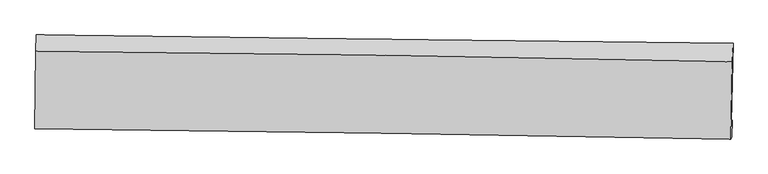
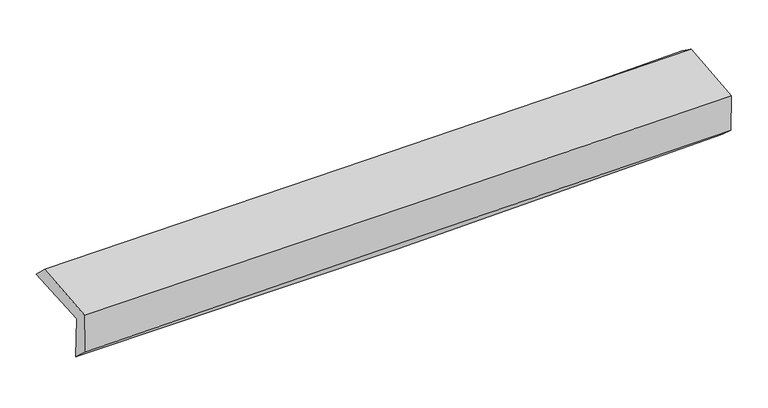
"""IFC4 building model written with IfcOpenShell, lengths in millimetres: proxy geometry."""

from ifc_helpers import new_model, si_unit, frame, origin, place, context, project, spatial, source, transform, mapped, element, save
from ifc_brep_helpers import plane_surface, spline_curve, spline_surface, advanced_brep


def generic_models_cd75ae80(model_context):
    return source(origin(), model_context, "Body", "AdvancedBrep", [
        advanced_brep(
        [(-3005.9804438, -1770.8851119, 1953.5751936), (-2997.4688892, -1103.5631441, 1985.1563548), (2997.6555538, -1173.1898772, 2137.1938778), (2983.711459, -1855.2781806, 2104.7966257), (-2997.0445236, -1742.6184721, 1559.9832204), (2992.2867507, -1837.2394861, 1721.320978), (-3002.0941316, -1893.5671274, 1696.7251475), (2986.3836476, -1983.2186155, 1851.0830398), (-3010.5464224, -1911.3470816, 2074.7003611), (2978.4806405, -1999.8431148, 2204.4950121), (-3002.4466191, -1246.261679, 2123.8246439), (2991.6959066, -1334.9754374, 2253.7200584)],
        [
            (0, 1),
            (1, 2, spline_curve(3, [(-2997.4688892, -1103.5631441, 1985.1563548), (-1998.406634548, -1116.172195953, 1990.640169825), (-999.512841982, -1128.276499199, 2006.04141984), (998.862284328, -1151.486345083, 2056.702225701), (1998.34330624, -1162.590952973, 2091.980149825), (2997.6555538, -1173.1898772, 2137.1938778)], [4, 2, 4], [0.0, 9.829962017563757, 19.669023100533035])),
            (2, 3),
            (3, 0, spline_curve(3, [(2983.711459, -1855.2781806, 2104.7966257), (1985.583919339, -1833.446035099, 2060.137801092), (987.148108006, -1815.495748489, 2025.20527048), (-1009.416429655, -1787.371902053, 1974.816107596), (-2007.544585784, -1777.191165894, 1959.34149421), (-3005.9804438, -1770.8851119, 1953.5751936)], [4, 2, 4], [0.0, 9.839061082969279, 19.669023100533035])),
            (4, 0),
            (3, 5),
            (5, 4, spline_curve(3, [(2992.2867507, -1837.2394861, 1721.320978), (1994.51467095, -1809.814417964, 1664.940510524), (996.28658722, -1788.215845651, 1623.306062655), (-1000.158013752, -1756.686279207, 1569.554071495), (-1998.373688553, -1746.744513549, 1557.409266744), (-2997.0445236, -1742.6184721, 1559.9832204)], [4, 2, 4], [0.0, 9.835298918858962, 19.66150225152419])),
            (6, 4),
            (5, 7),
            (7, 6, spline_curve(3, [(2986.3836476, -1983.2186155, 1851.0830398), (1988.033927055, -1963.51323839, 1824.593068739), (989.588347056, -1946.18723646, 1798.479148966), (-1006.571089708, -1916.307805831, 1747.027213358), (-2004.284769854, -1903.749978349, 1721.688502523), (-3002.0941316, -1893.5671274, 1696.7251475)], [4, 2, 4], [0.0, 9.833865062215622, 19.65863586425381])),
            (8, 6),
            (7, 9),
            (9, 8, spline_curve(3, [(2978.4806405, -1999.8431148, 2204.4950121), (1980.22930745, -1979.930772713, 2173.60527715), (981.787082936, -1962.597713225, 2147.341323847), (-1014.555624605, -1933.103803921, 2104.084991717), (-2012.455753968, -1920.938185415, 2087.084061413), (-3010.5464224, -1911.3470816, 2074.7003611)], [4, 2, 4], [0.0, 9.832538021359008, 19.65598300977471])),
            (10, 8),
            (9, 11),
            (11, 10, spline_curve(3, [(2991.6959066, -1334.9754374, 2253.7200584), (1992.528709361, -1311.733653959, 2223.054319509), (993.202080974, -1292.718483637, 2196.893907789), (-1004.845722051, -1263.155044473, 2153.603765417), (-2003.5666027, -1252.598962285, 2136.465705421), (-3002.4466191, -1246.261679, 2123.8246439)], [4, 2, 4], [0.0, 9.836834133802167, 19.664571261659155])),
            (1, 10),
            (11, 2),
        ],
        [
            spline_surface(3, 3, [[(-3005.9804438, -1770.8851119, 1953.5751936), (-2007.544585807, -1777.191165942, 1959.341494216), (-1009.416429574, -1787.371902063, 1974.816107651), (987.148107925, -1815.495748479, 2025.205270425), (1985.583919313, -1833.446035249, 2060.137801061), (2983.711459, -1855.2781806, 2104.7966257)], [(-3003.143258926, -1548.444455959, 1964.102247312), (-2004.498602021, -1556.851509288, 1969.774386087), (-1006.11523373, -1567.673434449, 1985.224545048), (991.05283338, -1594.159280698, 2035.704255494), (1989.837048283, -1609.827674473, 2070.751917384), (2988.359490597, -1627.915412798, 2115.595709753)], [(-3000.306074074, -1326.003800041, 1974.629301088), (-2001.452618256, -1336.511852657, 1980.207278023), (-1002.814037837, -1347.974966798, 1995.632982478), (994.957558883, -1372.822812879, 2046.203240596), (1994.090177262, -1386.209313705, 2081.366033648), (2993.007522203, -1400.552645002, 2126.394793747)], [(-2997.4688892, -1103.5631441, 1985.1563548), (-1998.406634471, -1116.172196003, 1990.640169894), (-999.512841993, -1128.276499184, 2006.041419875), (998.862284338, -1151.486345097, 2056.702225665), (1998.343306233, -1162.590952929, 2091.980149972), (2997.6555538, -1173.1898772, 2137.1938778)]], [4, 4], [4, 2, 4], [0.0, 2.173181818271472], [0.0, 9.829962017563757, 19.669023100533035]),
            spline_surface(3, 3, [[(-2997.0445236, -1742.6184721, 1559.9832204), (-1998.373688392, -1746.744513397, 1557.409266906), (-1000.158013825, -1756.686279233, 1569.55407148), (996.286587293, -1788.215845625, 1623.30606267), (1994.514670841, -1809.81441783, 1664.940510653), (2992.2867507, -1837.2394861, 1721.320978)], [(-3000.023163664, -1752.040685364, 1691.1805448), (-2001.430654194, -1756.893397576, 1691.386676009), (-1003.244152421, -1766.914820165, 1704.641416874), (993.24042749, -1797.309146565, 1757.272465258), (1991.537753665, -1817.691623659, 1796.672940783), (2989.428320134, -1843.25238429, 1849.146193893)], [(-3003.001803736, -1761.462898636, 1822.3778692), (-2004.487620004, -1767.042281762, 1825.364085113), (-1006.330290977, -1777.143361131, 1839.728762258), (990.194267728, -1806.402447539, 1891.238867837), (1988.560836489, -1825.568829419, 1928.405370931), (2986.569889566, -1849.26528241, 1976.971409807)], [(-3005.9804438, -1770.8851119, 1953.5751936), (-2007.544585807, -1777.191165942, 1959.341494216), (-1009.416429574, -1787.371902063, 1974.816107651), (987.148107925, -1815.495748479, 2025.205270425), (1985.583919313, -1833.446035249, 2060.137801061), (2983.711459, -1855.2781806, 2104.7966257)]], [4, 4], [4, 2, 4], [0.0, 1.3278308500179894], [0.0, 9.826203332665228, 19.66150225152419]),
            spline_surface(3, 3, [[(-3002.0941316, -1893.5671274, 1696.7251475), (-2004.284769717, -1903.749978335, 1721.688502522), (-1006.571089794, -1916.307805869, 1747.027213391), (989.588347142, -1946.187236422, 1798.479148933), (1988.033926983, -1963.513238261, 1824.59306885), (2986.3836476, -1983.2186155, 1851.0830398)], [(-3000.41092894, -1843.250908965, 1651.144505142), (-2002.314409282, -1851.414823354, 1666.928757326), (-1004.433397783, -1863.10063032, 1687.86949941), (991.82109388, -1893.530106153, 1740.088120168), (1990.194174936, -1912.280298098, 1771.375549458), (2988.351348634, -1934.55890568, 1807.829019207)], [(-2998.72772626, -1792.934690535, 1605.563862758), (-2000.344048827, -1799.079668378, 1612.169012102), (-1002.295705836, -1809.893454782, 1628.711785461), (994.053840554, -1840.872975894, 1681.697091435), (1992.354422888, -1861.047357993, 1718.158030046), (2990.319049666, -1885.89919592, 1764.574998593)], [(-2997.0445236, -1742.6184721, 1559.9832204), (-1998.373688392, -1746.744513397, 1557.409266906), (-1000.158013825, -1756.686279233, 1569.55407148), (996.286587293, -1788.215845625, 1623.30606267), (1994.514670841, -1809.81441783, 1664.940510653), (2992.2867507, -1837.2394861, 1721.320978)]], [4, 4], [4, 2, 4], [0.0, 0.7788005792103828], [0.0, 9.824770802038188, 19.65863586425381]),
            spline_surface(3, 3, [[(-3010.5464224, -1911.3470816, 2074.7003611), (-2012.455753975, -1920.938185575, 2087.084061434), (-1014.555624446, -1933.103803896, 2104.084991856), (981.787082777, -1962.597713249, 2147.341323708), (1980.229307515, -1979.930772654, 2173.605276986), (2978.4806405, -1999.8431148, 2204.4950121)], [(-3007.728992114, -1905.420430217, 1948.708623236), (-2009.732092536, -1915.208783179, 1965.285541799), (-1011.89411289, -1927.505137897, 1985.065732364), (984.387504237, -1957.127554318, 2031.053932113), (1982.830847325, -1974.458261199, 2057.267874284), (2981.114976187, -1994.301615043, 2086.691021343)], [(-3004.911561886, -1899.493778783, 1822.716885364), (-2007.008431156, -1909.479380731, 1843.487022157), (-1009.23260135, -1921.906471867, 1866.046472883), (986.987925681, -1951.657395354, 1914.766540529), (1985.432387173, -1968.985749716, 1940.930471552), (2983.749311913, -1988.760115257, 1968.887030557)], [(-3002.0941316, -1893.5671274, 1696.7251475), (-2004.284769717, -1903.749978335, 1721.688502522), (-1006.571089794, -1916.307805869, 1747.027213391), (989.588347142, -1946.187236422, 1798.479148933), (1988.033926983, -1963.513238261, 1824.59306885), (2986.3836476, -1983.2186155, 1851.0830398)]], [4, 4], [4, 2, 4], [0.0, 1.1595623929009249], [0.0, 9.823444988415703, 19.65598300977471]),
            spline_surface(3, 3, [[(-3002.4466191, -1246.261679, 2123.8246439), (-2003.566602598, -1252.598962293, 2136.465705526), (-1004.845722205, -1263.155044571, 2153.603765409), (993.202081129, -1292.71848354, 2196.893907797), (1992.528709255, -1311.733654036, 2223.054319417), (2991.6959066, -1334.9754374, 2253.7200584)], [(-3005.146553534, -1467.956813209, 2107.449882959), (-2006.529653058, -1475.378703396, 2120.005157487), (-1008.082356287, -1486.471297667, 2137.097507579), (989.397081676, -1516.011560097, 2180.376379789), (1988.428908668, -1534.466026909, 2206.57130525), (2987.290817892, -1556.597996534, 2237.311709609)], [(-3007.846487966, -1689.651947391, 2091.075122041), (-2009.492703515, -1698.158444472, 2103.544609473), (-1011.318990364, -1709.7875508, 2120.591249685), (985.592082229, -1739.304636692, 2163.858851716), (1984.329108103, -1757.198399781, 2190.088291154), (2982.885729208, -1778.220555666, 2220.903360891)], [(-3010.5464224, -1911.3470816, 2074.7003611), (-2012.455753975, -1920.938185575, 2087.084061434), (-1014.555624446, -1933.103803896, 2104.084991856), (981.787082777, -1962.597713249, 2147.341323708), (1980.229307515, -1979.930772654, 2173.605276986), (2978.4806405, -1999.8431148, 2204.4950121)]], [4, 4], [4, 2, 4], [0.0, 2.2041533192669145], [0.0, 9.827737127856988, 19.664571261659155]),
            spline_surface(3, 3, [[(-2997.4688892, -1103.5631441, 1985.1563548), (-1998.406634471, -1116.172196003, 1990.640169894), (-999.512841993, -1128.276499184, 2006.041419875), (998.862284338, -1151.486345097, 2056.702225665), (1998.343306233, -1162.590952929, 2091.980149972), (2997.6555538, -1173.1898772, 2137.1938778)], [(-2999.128132521, -1151.129322386, 2031.379117851), (-2000.126623868, -1161.647784752, 2039.24868179), (-1001.290468726, -1173.236014317, 2055.228868387), (996.97554994, -1198.563724582, 2103.432786377), (1996.405107262, -1212.30518662, 2135.671539781), (2995.669004755, -1227.118397255, 2176.035937994)], [(-3000.787375779, -1198.695500714, 2077.601880849), (-2001.846613201, -1207.123373544, 2087.857193631), (-1003.068095472, -1218.195529438, 2104.416316897), (995.088815527, -1245.641104055, 2150.163347086), (1994.466908226, -1262.019420346, 2179.362929608), (2993.682455645, -1281.046917345, 2214.877998206)], [(-3002.4466191, -1246.261679, 2123.8246439), (-2003.566602598, -1252.598962293, 2136.465705526), (-1004.845722205, -1263.155044571, 2153.603765409), (993.202081129, -1292.71848354, 2196.893907797), (1992.528709255, -1311.733654036, 2223.054319417), (2991.6959066, -1334.9754374, 2253.7200584)]], [4, 4], [4, 2, 4], [0.0, 0.6544425840898422], [0.0, 9.833013688960655, 19.675129268094373]),
            plane_surface(frame((2988.368993, -1697.2907853, 2045.434932), z_axis=(0.9995421357990895, -0.021447606137170186, 0.021342889991273584), x_axis=(0.02233175364227086, 0.04697632422734702, -0.9986463426765995))),
            plane_surface(frame((-3002.5968383, -1611.3737694, 1898.9941536), z_axis=(-0.9996694443091306, 0.013777844435963995, -0.021706522461524443), x_axis=(-0.012739501318941268, -0.9988009791569018, -0.04726847936372747))),
        ],
        [
            (0, [[1, 2, 3, 4]]),
            (1, [[5, -4, 6, 7]]),
            (2, [[8, -7, 9, 10]]),
            (3, [[11, -10, 12, 13]]),
            (4, [[14, -13, 15, 16]]),
            (5, [[17, -16, 18, -2]]),
            (6, [[-12, -9, -6, -3, -18, -15]]),
            (7, [[-1, -5, -8, -11, -14, -17]]),
        ],
    ),
    ])


if __name__ == "__main__":
    model = new_model("IFC4")
    model_context = context("Model", 3, world=origin())
    ifc_project = project(units=[si_unit("LENGTHUNIT", "METRE", prefix="MILLI")], contexts=[model_context])
    site = spatial("IfcSite", under=ifc_project)
    building = spatial("IfcBuilding", under=site)
    placement = place(None, origin())
    generic_models_shape = generic_models_cd75ae80(model_context)
    element("IfcBuildingElementProxy", 1, Name="Generic Models", at=placement, inside=building, context=model_context, shape_type="MappedRepresentation", body=[
        mapped(generic_models_shape, transform((0.0, 0.0, 0.0), x_axis=(1.0, 0.0, 0.0), y_axis=(0.0, 1.0, 0.0), z_axis=(0.0, 0.0, 1.0))),
    ])
    save(model, "model.ifc")
